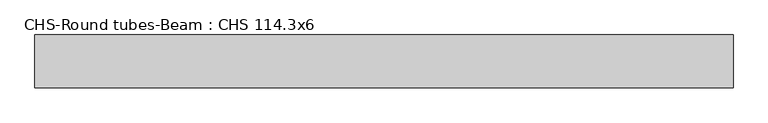
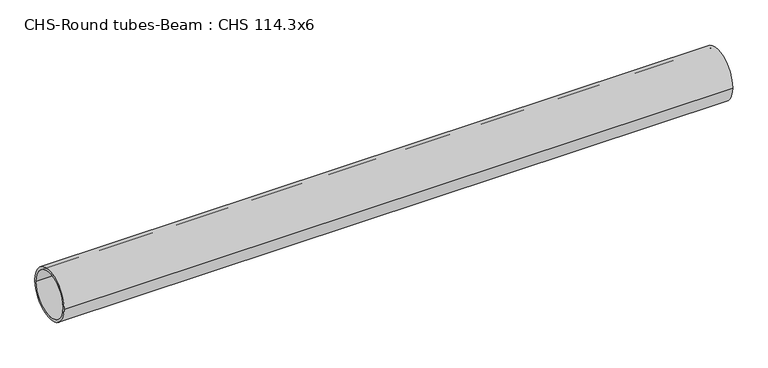
"""IFC4 building model written with IfcOpenShell, lengths in millimetres: beam geometry, CHS-Round tubes-Beam : CHS 114.3x6."""

from ifc_helpers import new_model, si_unit, point, frame, origin, origin_2d, place, context, project, spatial, circle_curve, trimmed, segment, composite_curve, outline, extrude, source, transform, mapped, element, save


def chs_round_tubes_beam_chs_114_3x6_95b948de(model_context):
    return source(origin(), model_context, "Body", "SweptSolid", [
        extrude(outline(composite_curve([segment(trimmed(circle_curve(origin_2d(), 57.15), [point((57.15, 0.0))], [point((-57.15, 0.0))], False, "CARTESIAN"), True, "CONTINUOUS"), segment(trimmed(circle_curve(origin_2d(), 57.15), [point((-57.15, 0.0))], [point((57.15, 0.0))], False, "CARTESIAN"), True, "CONTINUOUS")], self_intersect=False), holes=[composite_curve([segment(trimmed(circle_curve(origin_2d(), 51.15), [point((51.15, 0.0))], [point((-51.15, 0.0))], True, "CARTESIAN"), True, "CONTINUOUS"), segment(trimmed(circle_curve(origin_2d(), 51.15), [point((-51.15, 0.0))], [point((51.15, 0.0))], True, "CARTESIAN"), True, "CONTINUOUS")], self_intersect=False)]), frame((-746.5104426, 0.0, 0.0), z_axis=(1.0, 0.0, 0.0), x_axis=(0.0, 1.0, 0.0)), (0.0, 0.0, 1.0), 1506.7713899),
    ])


if __name__ == "__main__":
    model = new_model("IFC4")
    model_context = context("Model", 3, world=origin())
    ifc_project = project(units=[si_unit("LENGTHUNIT", "METRE", prefix="MILLI")], contexts=[model_context])
    site = spatial("IfcSite", under=ifc_project)
    building = spatial("IfcBuilding", under=site)
    placement = place(None, origin())
    chs_round_tubes_beam_chs_114_3x6_shape = chs_round_tubes_beam_chs_114_3x6_95b948de(model_context)
    element("IfcBeam", 1, ObjectType="CHS-Round tubes-Beam : CHS 114.3x6", at=placement, inside=building, context=model_context, shape_type="MappedRepresentation", body=[
        mapped(chs_round_tubes_beam_chs_114_3x6_shape, transform((0.0, 0.0, 0.0), x_axis=(1.0, 0.0, 0.0), y_axis=(0.0, 1.0, 0.0), z_axis=(0.0, 0.0, 1.0))),
    ])
    save(model, "model.ifc")
